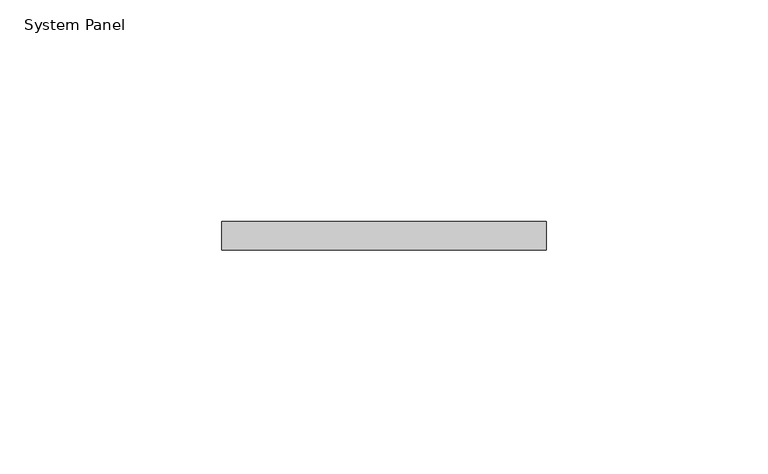
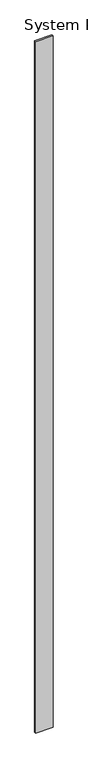
"""IFC4 building model written with IfcOpenShell, lengths in millimetres: plate geometry, System Panel."""

from ifc_helpers import new_model, si_unit, origin, origin_with_axes, place, context, project, spatial, polyline, outline, extrude, source, transform, mapped, element, save


def system_panel_a7d58897(model_context):
    return source(origin(), model_context, "Body", "SweptSolid", [
        extrude(outline(polyline([(36.4981971, 0.0), (-36.4981971, 0.0), (-36.4981971, 6.35), (36.4981971, 6.35), (36.4981971, 0.0)])), origin_with_axes(), (0.0, 0.0, 1.0), 3048.0),
    ])


if __name__ == "__main__":
    model = new_model("IFC4")
    model_context = context("Model", 3, world=origin())
    ifc_project = project(units=[si_unit("LENGTHUNIT", "METRE", prefix="MILLI")], contexts=[model_context])
    site = spatial("IfcSite", under=ifc_project)
    building = spatial("IfcBuilding", under=site)
    placement = place(None, origin())
    system_panel_shape = system_panel_a7d58897(model_context)
    element("IfcPlate", 1, ObjectType="System Panel", at=placement, inside=building, context=model_context, shape_type="MappedRepresentation", body=[
        mapped(system_panel_shape, transform((0.0, 0.0, 0.0), x_axis=(1.0, 0.0, 0.0), y_axis=(0.0, 1.0, 0.0), z_axis=(0.0, 0.0, 1.0))),
    ])
    save(model, "model.ifc")
